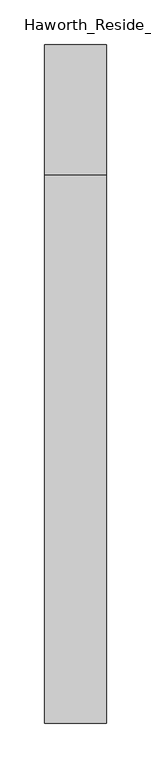
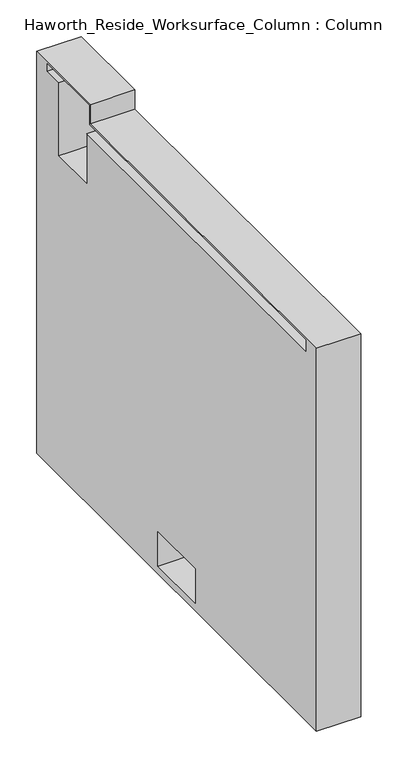
"""IFC4 building model written with IfcOpenShell, lengths in millimetres: furniture geometry, Haworth_Reside_Worksurface_Column : Column."""

from ifc_helpers import new_model, si_unit, frame, origin, place, context, project, spatial, polyline, outline, extrude, source, transform, mapped, element, save


def haworth_reside_worksurface_column_column_d7e88dc6(model_context):
    return source(origin(), model_context, "Body", "SweptSolid", [
        extrude(outline(polyline([(349.4645843, 0.0), (-412.5354157, 0.0), (-412.5354157, 636.5875), (203.4145843, 636.5875), (203.4145843, 668.3375), (349.4645843, 668.3375), (349.4645843, 0.0)]), holes=[polyline([(320.8895843, 652.4625), (320.8895843, 665.1625), (206.5895843, 665.1625), (206.5895843, 633.4125), (-383.9604157, 633.4125), (-383.9604157, 614.3625), (212.9395843, 614.3625), (212.9395843, 531.8125), (289.1395843, 531.8125), (289.1395843, 652.4625), (320.8895843, 652.4625)]), polyline([(-82.3354157, 69.85), (-82.3354157, 12.7), (19.2645843, 12.7), (19.2645843, 69.85), (-82.3354157, 69.85)])]), frame((266.7, 0.0, 0.0), z_axis=(1.0, 0.0, 0.0), x_axis=(0.0, 1.0, 0.0)), (0.0, 0.0, 1.0), 69.85),
    ])


if __name__ == "__main__":
    model = new_model("IFC4")
    model_context = context("Model", 3, world=origin())
    ifc_project = project(units=[si_unit("LENGTHUNIT", "METRE", prefix="MILLI")], contexts=[model_context])
    site = spatial("IfcSite", under=ifc_project)
    building = spatial("IfcBuilding", under=site)
    placement = place(None, origin())
    haworth_reside_worksurface_column_column_shape = haworth_reside_worksurface_column_column_d7e88dc6(model_context)
    element("IfcFurniture", 1, ObjectType="Haworth_Reside_Worksurface_Column : Column", at=placement, inside=building, context=model_context, shape_type="MappedRepresentation", body=[
        mapped(haworth_reside_worksurface_column_column_shape, transform((0.0, 0.0, 0.0), x_axis=(1.0, 0.0, 0.0), y_axis=(0.0, 1.0, 0.0), z_axis=(0.0, 0.0, 1.0))),
    ])
    save(model, "model.ifc")
